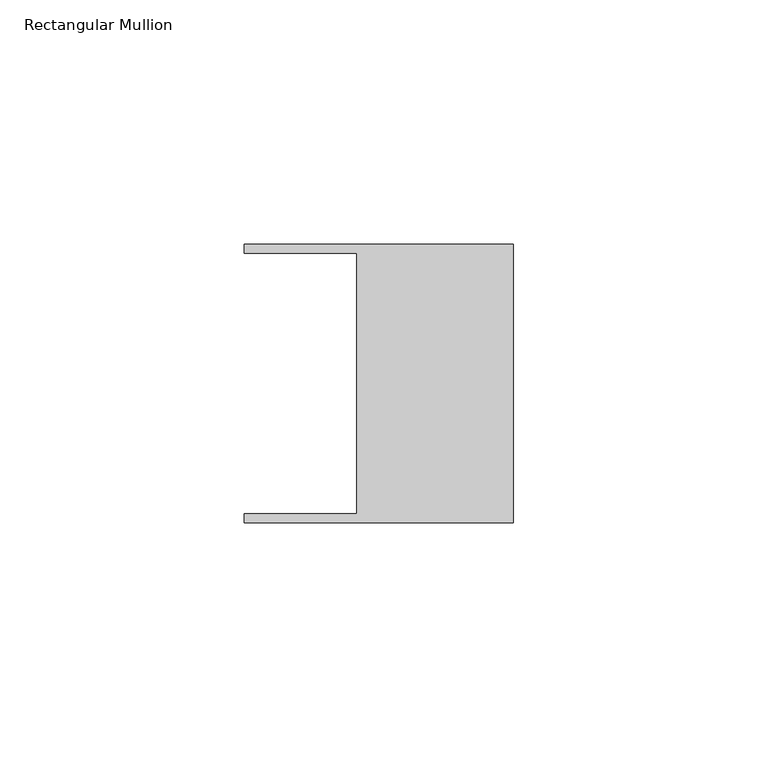
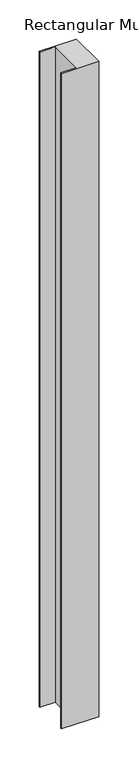
"""IFC4 building model written with IfcOpenShell, lengths in millimetres: member geometry, Rectangular Mullion."""

from ifc_helpers import new_model, si_unit, frame, origin, place, context, project, spatial, polyline, outline, extrude, source, transform, mapped, element, save


def rectangular_mullion_54cc4921(model_context):
    return source(origin(), model_context, "Body", "SweptSolid", [
        extrude(outline(polyline([(-32.004, -26.67), (-32.004, 26.67), (-54.991, 26.67), (-54.991, 28.448), (0.0, 28.448), (0.0, -28.448), (-54.991, -28.448), (-54.991, -26.67), (-32.004, -26.67)])), frame((0.0, 0.0, -1022.35), z_axis=(0.0, 0.0, 1.0), x_axis=(1.0, 0.0, 0.0)), (0.0, 0.0, 1.0), 1022.35),
    ])


if __name__ == "__main__":
    model = new_model("IFC4")
    model_context = context("Model", 3, world=origin())
    ifc_project = project(units=[si_unit("LENGTHUNIT", "METRE", prefix="MILLI")], contexts=[model_context])
    site = spatial("IfcSite", under=ifc_project)
    building = spatial("IfcBuilding", under=site)
    placement = place(None, origin())
    rectangular_mullion_shape = rectangular_mullion_54cc4921(model_context)
    element("IfcMember", 1, ObjectType="Rectangular Mullion", at=placement, inside=building, context=model_context, shape_type="MappedRepresentation", body=[
        mapped(rectangular_mullion_shape, transform((0.0, 0.0, 0.0), x_axis=(1.0, 0.0, 0.0), y_axis=(0.0, 1.0, 0.0), z_axis=(0.0, 0.0, 1.0))),
    ])
    save(model, "model.ifc")
